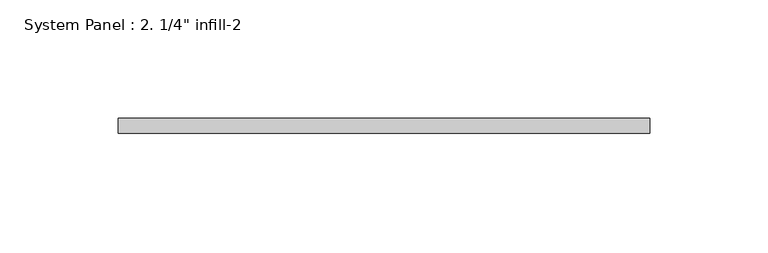
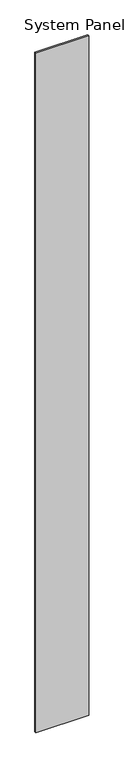
"""IFC4 building model written with IfcOpenShell, lengths in millimetres: plate geometry."""

from ifc_helpers import new_model, si_unit, origin, origin_with_axes, place, context, project, spatial, polyline, outline, extrude, source, transform, mapped, element, save


def plate_dfa377af(model_context):
    return source(origin(), model_context, "Body", "SweptSolid", [
        extrude(outline(polyline([(112.5406634, -6.35), (-112.5406634, -6.35), (-112.5406634, 0.0), (112.5406634, 0.0), (112.5406634, -6.35)])), origin_with_axes(), (0.0, 0.0, 1.0), 3048.0),
    ])


if __name__ == "__main__":
    model = new_model("IFC4")
    model_context = context("Model", 3, world=origin())
    ifc_project = project(units=[si_unit("LENGTHUNIT", "METRE", prefix="MILLI")], contexts=[model_context])
    site = spatial("IfcSite", under=ifc_project)
    building = spatial("IfcBuilding", under=site)
    placement = place(None, origin())
    plate_shape = plate_dfa377af(model_context)
    element("IfcPlate", 1, ObjectType="System Panel : 2. 1/4\" infill-2", at=placement, inside=building, context=model_context, shape_type="MappedRepresentation", body=[
        mapped(plate_shape, transform((0.0, 0.0, 0.0), x_axis=(1.0, 0.0, 0.0), y_axis=(0.0, 1.0, 0.0), z_axis=(0.0, 0.0, 1.0))),
    ])
    save(model, "model.ifc")
